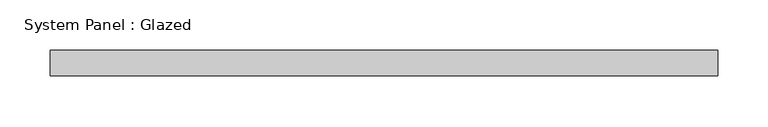
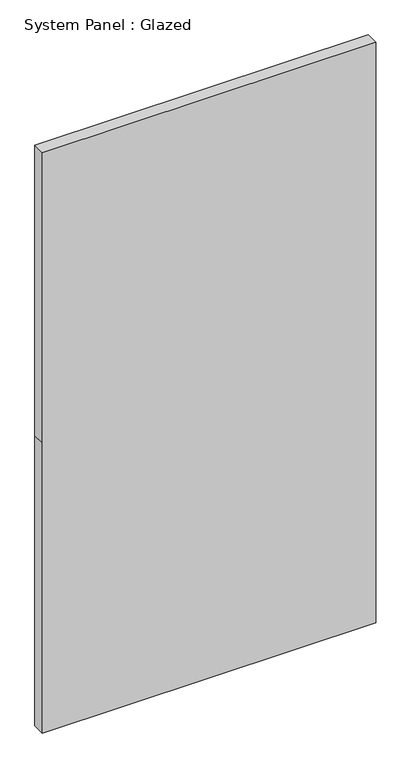
"""IFC4 building model written with IfcOpenShell, lengths in millimetres: plate geometry, System Panel : Glazed."""

from ifc_helpers import new_model, si_unit, frame, origin, place, context, project, spatial, polyline, outline, extrude, source, transform, mapped, element, save


def system_panel_glazed_af5b701d(model_context):
    return source(origin(), model_context, "Body", "SweptSolid", [
        extrude(outline(polyline([(0.0, -331.132211), (0.0, 331.132211), (609.6, 331.132211), (1219.2, 331.132211), (1219.2, -331.132211), (609.6, -331.132211), (0.0, -331.132211)])), frame((0.0, 19.05, 0.0), z_axis=(0.0, 1.0, 0.0), x_axis=(0.0, 0.0, 1.0)), (0.0, 0.0, 1.0), 25.4),
    ])


if __name__ == "__main__":
    model = new_model("IFC4")
    model_context = context("Model", 3, world=origin())
    ifc_project = project(units=[si_unit("LENGTHUNIT", "METRE", prefix="MILLI")], contexts=[model_context])
    site = spatial("IfcSite", under=ifc_project)
    building = spatial("IfcBuilding", under=site)
    placement = place(None, origin())
    system_panel_glazed_shape = system_panel_glazed_af5b701d(model_context)
    element("IfcPlate", 1, ObjectType="System Panel : Glazed", at=placement, inside=building, context=model_context, shape_type="MappedRepresentation", body=[
        mapped(system_panel_glazed_shape, transform((0.0, 0.0, 0.0), x_axis=(1.0, 0.0, 0.0), y_axis=(0.0, 1.0, 0.0), z_axis=(0.0, 0.0, 1.0))),
    ])
    save(model, "model.ifc")
